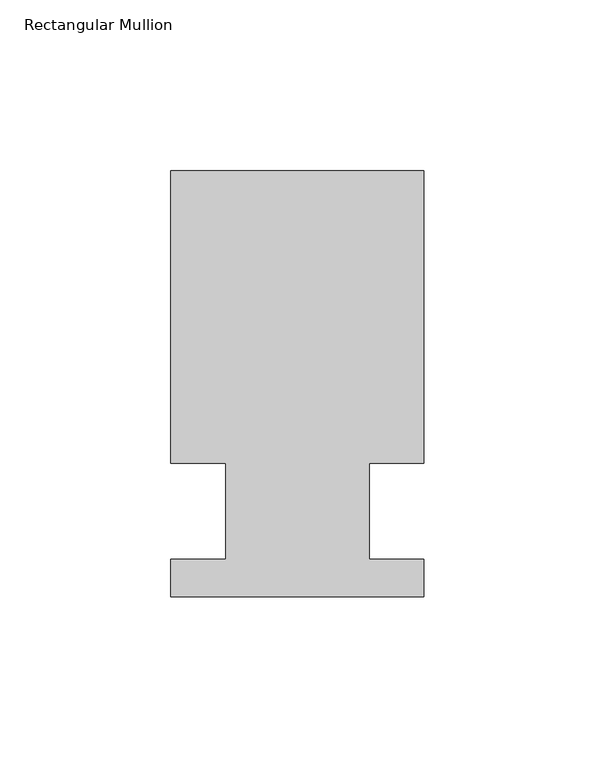
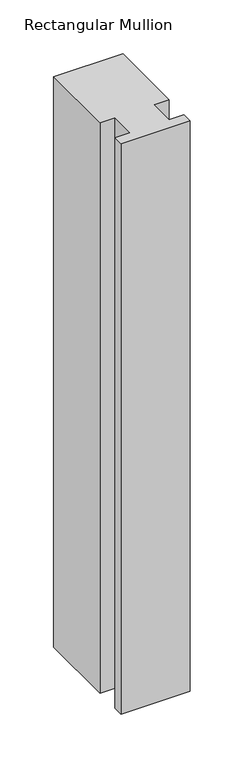
"""IFC4 building model written with IfcOpenShell, lengths in millimetres: member geometry, Rectangular Mullion."""

from ifc_helpers import new_model, si_unit, frame, origin, place, context, project, spatial, polyline, outline, extrude, source, transform, mapped, element, save


def rectangular_mullion_ca2013c7(model_context):
    return source(origin(), model_context, "Body", "SweptSolid", [
        extrude(outline(polyline([(-20.9800745, 13.9998907), (-37.0, 13.9998907), (-37.0, 99.5), (37.0, 99.5), (37.0, 13.9998907), (20.9800745, 13.9998907), (20.9800745, -14.0), (36.9800745, -14.0), (36.9800745, -25.0), (-37.0, -25.0), (-37.0, -14.0), (-20.9800745, -14.0), (-20.9800745, 13.9998907)])), frame((0.0, 0.0, -645.561551), z_axis=(0.0, 0.0, 1.0), x_axis=(1.0, 0.0, 0.0)), (0.0, 0.0, 1.0), 645.561551),
    ])


if __name__ == "__main__":
    model = new_model("IFC4")
    model_context = context("Model", 3, world=origin())
    ifc_project = project(units=[si_unit("LENGTHUNIT", "METRE", prefix="MILLI")], contexts=[model_context])
    site = spatial("IfcSite", under=ifc_project)
    building = spatial("IfcBuilding", under=site)
    placement = place(None, origin())
    rectangular_mullion_shape = rectangular_mullion_ca2013c7(model_context)
    element("IfcMember", 1, ObjectType="Rectangular Mullion", at=placement, inside=building, context=model_context, shape_type="MappedRepresentation", body=[
        mapped(rectangular_mullion_shape, transform((0.0, 0.0, 0.0), x_axis=(1.0, 0.0, 0.0), y_axis=(0.0, 1.0, 0.0), z_axis=(0.0, 0.0, 1.0))),
    ])
    save(model, "model.ifc")
